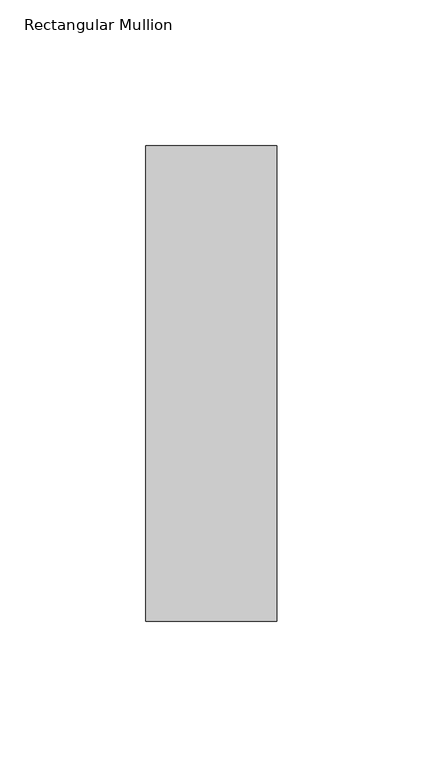
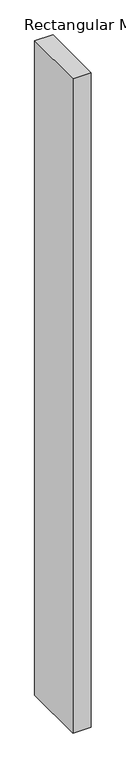
"""IFC4 building model written with IfcOpenShell, lengths in millimetres: member geometry, Rectangular Mullion."""

from ifc_helpers import new_model, si_unit, frame, origin, place, context, project, spatial, polyline, outline, extrude, source, transform, mapped, element, save


def rectangular_mullion_096976ab(model_context):
    return source(origin(), model_context, "Body", "SweptSolid", [
        extrude(outline(polyline([(22.5, 117.05), (22.5, -46.05), (-22.5, -46.05), (-22.5, 117.05), (22.5, 117.05)])), frame((0.0, 0.0, -1708.8912252), z_axis=(0.0, 0.0, 1.0), x_axis=(1.0, 0.0, 0.0)), (0.0, 0.0, 1.0), 1708.8912252),
    ])


if __name__ == "__main__":
    model = new_model("IFC4")
    model_context = context("Model", 3, world=origin())
    ifc_project = project(units=[si_unit("LENGTHUNIT", "METRE", prefix="MILLI")], contexts=[model_context])
    site = spatial("IfcSite", under=ifc_project)
    building = spatial("IfcBuilding", under=site)
    placement = place(None, origin())
    rectangular_mullion_shape = rectangular_mullion_096976ab(model_context)
    element("IfcMember", 1, ObjectType="Rectangular Mullion", at=placement, inside=building, context=model_context, shape_type="MappedRepresentation", body=[
        mapped(rectangular_mullion_shape, transform((0.0, 0.0, 0.0), x_axis=(1.0, 0.0, 0.0), y_axis=(0.0, 1.0, 0.0), z_axis=(0.0, 0.0, 1.0))),
    ])
    save(model, "model.ifc")
